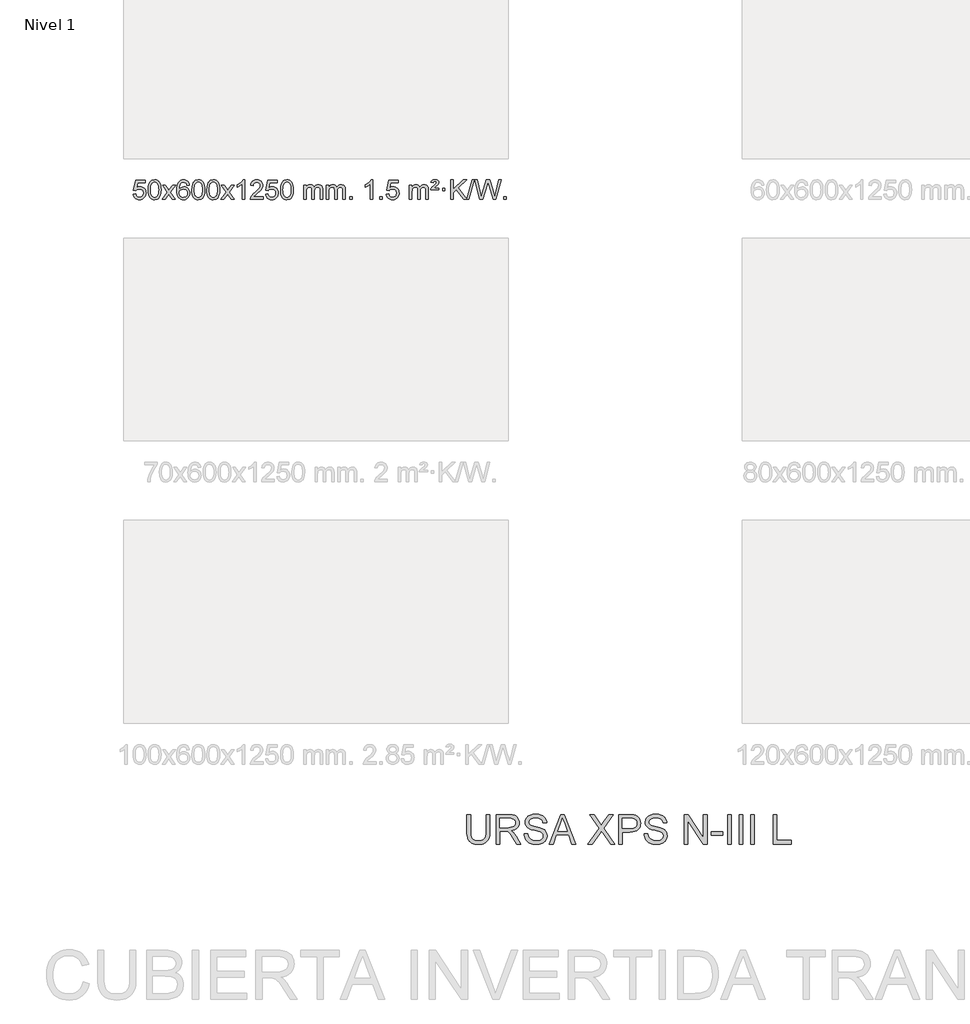
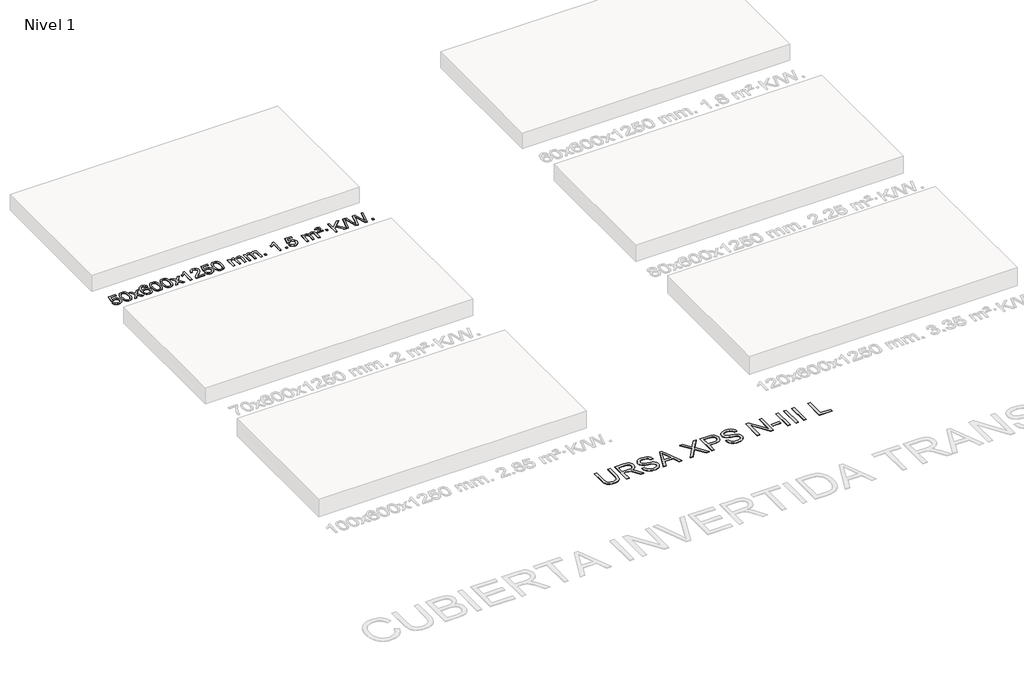
# One storey, part 4 of 7: 2 proxies.
"""IFC4 building model written with IfcOpenShell, lengths in millimetres."""

import ifcopenshell
import ifcopenshell.guid

model = None  # the IFC model being written
_history = None  # IfcOwnerHistory: only IFC2X3 demands one
_inside = {}  # id of a spatial element -> (the spatial element, [elements in it])
_under = {}  # id of a project, library or spatial element -> (it, [spatial elements below it])
_declared = {}  # id of a project -> (the project, [libraries it declares])
_typed = {}  # id of a type object -> (the type object, [elements of that type])
_made_of = {}  # id of a material, layer set ... -> (it, [elements and type objects made of it])


def new_model(schema):
    """Start an empty IFC model of exactly this schema.

    Asked for "IFC4X3", IfcOpenShell would pick the latest addendum, in which some entities
    have other attributes; the version numbers below select the first issue.
    IFC2X3 requires an IfcOwnerHistory on every rooted entity: one is made here for all.
    """
    global model, _history
    if schema == "IFC4X3":
        model = ifcopenshell.file(schema_version=(4, 3, 0, 0))
    else:
        model = ifcopenshell.file(schema=schema)
    _inside.clear()
    _under.clear()
    _declared.clear()
    _typed.clear()
    _made_of.clear()
    _history = None
    if model.schema == "IFC2X3":
        org = make("IfcOrganization", Name="unknown")
        user = make(
            "IfcPersonAndOrganization",
            ThePerson=make("IfcPerson", FamilyName="unknown"),
            TheOrganization=org,
        )
        app = make(
            "IfcApplication",
            ApplicationDeveloper=org,
            Version="unknown",
            ApplicationFullName="unknown",
            ApplicationIdentifier="unknown",
        )
        _history = make(
            "IfcOwnerHistory",
            OwningUser=user,
            OwningApplication=app,
            ChangeAction="ADDED",
            CreationDate=0,
        )
    return model


def make(cls, **values):
    """One entity of the class cls with the attributes given. An attribute that is None is left unset."""
    return model.create_entity(
        cls, **{name: value for name, value in values.items() if value is not None}
    )


def rooted(cls, **values):
    """An entity with a GlobalId (a new one), such as an element, a storey or a relation."""
    return make(cls, GlobalId=ifcopenshell.guid.new(), OwnerHistory=_history, **values)


def si_unit(unit_type, name, prefix=None):
    """IfcSIUnit, for example si_unit("LENGTHUNIT", "METRE", prefix="MILLI")."""
    return make("IfcSIUnit", UnitType=unit_type, Prefix=prefix, Name=name)


def assignment(units):
    """IfcUnitAssignment: the units of a project."""
    return None if units is None else make("IfcUnitAssignment", Units=units)


def point(xyz):
    """IfcCartesianPoint."""
    return None if xyz is None else make("IfcCartesianPoint", Coordinates=xyz)


def direction(xyz):
    """IfcDirection."""
    return None if xyz is None else make("IfcDirection", DirectionRatios=xyz)


def frame(location, z_axis=None, x_axis=None):
    """IfcAxis2Placement3D, a coordinate frame: its origin and axes. An axis left out is left unset."""
    return make(
        "IfcAxis2Placement3D",
        Location=point(location),
        Axis=direction(z_axis),
        RefDirection=direction(x_axis),
    )


def origin():
    """The frame at (0, 0, 0) with its axes left unset."""
    return frame((0.0, 0.0, 0.0))


def origin_with_axes():
    """The frame at (0, 0, 0) with the z axis (0, 0, 1) and the x axis (1, 0, 0) written out."""
    return frame((0.0, 0.0, 0.0), z_axis=(0.0, 0.0, 1.0), x_axis=(1.0, 0.0, 0.0))


def place(relative_to, where):
    """IfcLocalPlacement: puts the frame where relative to a parent placement (None: the world)."""
    return make(
        "IfcLocalPlacement", PlacementRelTo=relative_to, RelativePlacement=where
    )


def context(
    kind, dimensions, precision=None, world=None, true_north=None, identifier=None
):
    """IfcGeometricRepresentationContext, for example the 3D "Model" context."""
    return make(
        "IfcGeometricRepresentationContext",
        ContextIdentifier=identifier,
        ContextType=kind,
        CoordinateSpaceDimension=dimensions,
        Precision=precision,
        WorldCoordinateSystem=world,
        TrueNorth=true_north,
    )


def project(units=None, contexts=None):
    """IfcProject with its units and contexts."""
    return rooted(
        "IfcProject",
        Name="project",
        RepresentationContexts=contexts,
        UnitsInContext=assignment(units),
    )


def spatial(cls, under=None, at=None, **own):
    """A site, building, storey or space (cls), placed at a placement, below another one or the project."""
    s = rooted(cls, ObjectPlacement=at, **own)
    if under is not None:
        _under.setdefault(under.id(), (under, []))[1].append(s)
    return s


def polyline(points):
    """IfcPolyline through the points."""
    return make("IfcPolyline", Points=[point(p) for p in points])


def outline(outer, holes=None, kind="AREA"):
    """IfcArbitraryClosedProfileDef: a profile drawn as a closed curve; with holes, ...WithVoids."""
    if holes is None:
        return make("IfcArbitraryClosedProfileDef", ProfileType=kind, OuterCurve=outer)
    return make(
        "IfcArbitraryProfileDefWithVoids",
        ProfileType=kind,
        OuterCurve=outer,
        InnerCurves=holes,
    )


def extrude(swept, where, along, depth):
    """IfcExtrudedAreaSolid: the profile swept, set in the frame where, extruded along a direction by depth."""
    return make(
        "IfcExtrudedAreaSolid",
        SweptArea=swept,
        Position=where,
        ExtrudedDirection=direction(along),
        Depth=depth,
    )


def shape(context_of_items, identifier, shape_type, items):
    """IfcShapeRepresentation: the items that make up one representation, for example the "Body"."""
    return make(
        "IfcShapeRepresentation",
        ContextOfItems=context_of_items,
        RepresentationIdentifier=identifier,
        RepresentationType=shape_type,
        Items=items,
    )


def made_of(thing, what):
    """Note that an element or type object is made of a material, layer set ...; save() writes the relation."""
    if what is not None:
        _made_of.setdefault(what.id(), (what, []))[1].append(thing)
    return thing


def element(
    cls,
    number,
    at=None,
    inside=None,
    cuts=None,
    type_object=None,
    material=None,
    context=None,
    identifier="Body",
    shape_type=None,
    held_by="IfcProductDefinitionShape",
    body=None,
    shapes=None,
    **own,
):
    """One element of the class cls, such as IfcWall. Its Tag is "e" and its number.

    at: its placement. inside: the storey or other place that contains it. cuts: it is an
    opening in that element (IfcRelVoidsElement). A single representation is given by context,
    identifier, shape_type and body (its items); several are given by shapes. held_by: the class
    of the entity that holds the representations. save() writes the other relations.
    """
    e = rooted(cls, Tag="e%d" % number, ObjectPlacement=at, **own)
    if body is not None:
        shapes = [shape(context, identifier, shape_type, body)]
    if shapes is not None:
        e.Representation = make(held_by, Representations=shapes)
    if inside is not None:
        _inside.setdefault(inside.id(), (inside, []))[1].append(e)
    if cuts is not None:
        rooted(
            "IfcRelVoidsElement", RelatingBuildingElement=cuts, RelatedOpeningElement=e
        )
    if type_object is not None:
        _typed.setdefault(type_object.id(), (type_object, []))[1].append(e)
    return made_of(e, material)


def aggregate(whole, parts):
    """IfcRelAggregates: a whole, such as a stair, and the parts it consists of."""
    return rooted("IfcRelAggregates", RelatingObject=whole, RelatedObjects=parts)


def save(model, path):
    """Write the relations noted so far, then the file.

    IfcRelAggregates (storeys below a building ...), IfcRelContainedInSpatialStructure (elements
    in a storey), IfcRelDefinesByType, IfcRelAssociatesMaterial and IfcRelDeclares: one each for
    every whole, place, type object, material and project.
    """
    for whole, parts in _under.values():
        aggregate(whole, parts)
    for where, things in _inside.values():
        rooted(
            "IfcRelContainedInSpatialStructure",
            RelatedElements=things,
            RelatingStructure=where,
        )
    for kind, things in _typed.values():
        rooted("IfcRelDefinesByType", RelatedObjects=things, RelatingType=kind)
    for what, things in _made_of.values():
        rooted("IfcRelAssociatesMaterial", RelatedObjects=things, RelatingMaterial=what)
    for by, libraries in _declared.values():
        rooted("IfcRelDeclares", RelatingContext=by, RelatedDefinitions=libraries)
    model.write(path)


model = new_model("IFC4")

# Units and contexts
model_context = context("Model", 3, world=origin())
ifc_project = project(units=[si_unit("LENGTHUNIT", "METRE", prefix="MILLI")], contexts=[model_context])

# Site, building, storey
site = spatial("IfcSite", under=ifc_project)
building = spatial("IfcBuilding", under=site)
storey = spatial("IfcBuildingStorey", under=building, Name="Nivel 1", Elevation=0.0)

# Proxies
placement = place(None, origin())
element("IfcBuildingElementProxy", 1, Name="Texto de modelo 1", ObjectType="Texto de modelo 1", at=placement, inside=storey, context=model_context, shape_type="SweptSolid", body=[
    extrude(outline(polyline([(-25826.1503809, -1077.8820273), (-25775.9222259, -1071.603508), (-25766.7006505, -1101.7575688), (-25750.6119446, -1123.3522419), (-25727.7296845, -1136.3384764), (-25698.1274466, -1140.6672212), (-25678.9975829, -1139.1619707), (-25662.124062, -1134.6462192), (-25647.5068841, -1127.1199667), (-25635.146049, -1116.5832132), (-25625.3174684, -1103.5571249), (-25618.2970537, -1088.5628679), (-25612.6807219, -1052.6698479), (-25617.9414344, -1018.8737553), (-25624.5173251, -1004.9555532), (-25633.723572, -993.0239138), (-25645.590832, -983.4528505), (-25660.149762, -976.6163768), (-25697.3426317, -971.1471978), (-25721.7086825, -973.3299643), (-25741.4394202, -979.8782638), (-25757.1970323, -989.9091796), (-25769.6437065, -1002.5397947), (-25819.8718615, -996.2612753), (-25775.9222259, -789.0701357), (-25581.2881249, -789.0701357), (-25581.2881249, -839.2982907), (-25735.3080536, -839.2982907), (-25756.7923621, -949.9571949), (-25739.0665813, -937.2530033), (-25720.9116048, -928.1785808), (-25702.3274327, -922.7339272), (-25683.3140649, -920.9190427), (-25658.8529779, -923.1692543), (-25636.3845851, -929.9198889), (-25615.9088864, -941.1709466), (-25597.4258818, -956.9224273), (-25582.1250565, -976.2117066), (-25571.1958955, -998.0761598), (-25564.638399, -1022.5157871), (-25562.4525668, -1049.5305882), (-25564.4207355, -1075.552108), (-25570.3252415, -1099.7587433), (-25580.1660849, -1122.1504941), (-25593.9432656, -1142.7273604), (-25614.8144374, -1163.8008673), (-25639.1682255, -1178.8533723), (-25667.0046298, -1187.8848753), (-25698.3236503, -1190.8953763), (-25724.2440026, -1188.9609301), (-25747.6566259, -1183.1575916), (-25768.5615203, -1173.4853608), (-25786.9586857, -1159.9442377), (-25802.2656424, -1143.2086726), (-25813.8999105, -1123.9531159), (-25821.86149, -1102.1775674), (-25826.1503809, -1077.8820273)])), origin_with_axes(), (0.0, 0.0, 1.0), 10.0),
    extrude(outline(polyline([(-25518.5029311, -986.9415981), (-25514.8118484, -922.6235626), (-25503.7386004, -871.3285498), (-25485.3935515, -832.2717446), (-25473.5354886, -817.0383643), (-25459.8870665, -804.6683323), (-25444.4023002, -795.097269), (-25427.0352044, -788.2607953), (-25386.654024, -782.7916163), (-25355.7028855, -786.0289778), (-25327.9891085, -795.7410625), (-25304.8125428, -811.5477256), (-25287.4730381, -833.0688223), (-25274.3764391, -860.1204117), (-25263.9285904, -892.5185527), (-25257.0859853, -933.6600225), (-25254.805117, -986.9415981), (-25258.4594114, -1050.8917516), (-25269.4222949, -1102.0641372), (-25287.6569791, -1141.1577305), (-25299.487451, -1156.437096), (-25313.1266759, -1168.8715075), (-25328.6298363, -1178.5069501), (-25346.0521145, -1185.3894091), (-25386.654024, -1190.8953763), (-25414.3187501, -1188.5041433), (-25438.8442164, -1181.3304444), (-25460.2304231, -1169.3742795), (-25478.47737, -1152.6356488), (-25495.988553, -1122.3773547), (-25508.4965408, -1084.6755815), (-25516.0013335, -1039.5303293), (-25518.5029311, -986.9415981)]), holes=[polyline([(-25468.274776, -986.8434963), (-25466.803248, -1030.5080234), (-25462.3886641, -1065.8522861), (-25455.0310242, -1092.8762843), (-25444.7303283, -1111.5800181), (-25432.2713914, -1124.3056694), (-25418.4390284, -1133.3954204), (-25403.2332393, -1138.849271), (-25386.654024, -1140.6672212), (-25370.0748088, -1138.8431396), (-25354.8690196, -1133.3708949), (-25341.0366566, -1124.2504871), (-25328.5777197, -1111.4819162), (-25318.2770239, -1092.7475256), (-25310.919384, -1065.7296588), (-25306.5048, -1030.4283156), (-25305.033272, -986.8434963), (-25306.4557491, -944.3347317), (-25310.7231802, -909.6128027), (-25317.8355655, -882.6777093), (-25327.7929048, -863.5294515), (-25340.0433752, -850.1814664), (-25354.0351538, -840.6471914), (-25369.7682404, -834.9266264), (-25387.2426352, -833.0197713), (-25403.7360113, -834.6997658), (-25418.6842831, -839.7397491), (-25432.0874504, -848.1397213), (-25443.9455134, -859.8996825), (-25454.5895658, -880.7463289), (-25462.1924604, -908.8525133), (-25466.7541971, -944.2182358), (-25468.274776, -986.8434963)])]), origin_with_axes(), (0.0, 0.0, 1.0), 10.0),
    extrude(outline(polyline([(-25229.6910394, -1184.6168569), (-25122.3675987, -1036.2868364), (-25223.41252, -889.5264458), (-25162.981771, -889.5264458), (-25114.2251439, -960.1597889), (-25091.4655111, -993.5144231), (-25071.7470362, -966.2421045), (-25016.2213804, -889.5264458), (-24955.7906313, -889.5264458), (-25061.9368496, -1036.2868364), (-24959.7147059, -1184.6168569), (-25020.145455, -1184.6168569), (-25081.6553246, -1095.4422612), (-25092.9370391, -1079.1573516), (-25169.2602903, -1184.6168569), (-25229.6910394, -1184.6168569)])), origin_with_axes(), (0.0, 0.0, 1.0), 10.0),
    extrude(outline(polyline([(-24670.9028142, -889.5264458), (-24721.1309693, -895.8049652), (-24729.2243732, -870.9116168), (-24740.1627312, -853.9154687), (-24762.9468894, -838.2436957), (-24790.4889881, -833.0197713), (-24813.8372321, -836.0609292), (-24835.8120499, -845.1844027), (-24854.6843963, -864.4001055), (-24870.0986519, -890.850821), (-24880.5097123, -928.2644199), (-24884.3724733, -980.3687731), (-24864.2248027, -956.8611137), (-24840.0794811, -940.2941611), (-24813.2854091, -930.4717119), (-24785.1914874, -927.1975621), (-24761.0584285, -929.4355109), (-24738.7893051, -936.1493573), (-24718.3841171, -947.3391013), (-24699.8428645, -963.004743), (-24684.4347403, -982.2143145), (-24673.4289372, -1004.0358482), (-24666.8254554, -1028.469344), (-24664.6242948, -1055.514802), (-24668.7690986, -1091.4813984), (-24681.2035101, -1124.8237699), (-24700.8974596, -1153.1016326), (-24726.8208775, -1173.8747026), (-24757.7965415, -1186.6402078), (-24792.6472291, -1190.8953763), (-24822.5897579, -1188.0749476), (-24849.6321502, -1179.6136617), (-24873.7744061, -1165.5115186), (-24895.0165257, -1145.7685182), (-24912.3345706, -1119.5507947), (-24924.7046027, -1086.0244822), (-24932.1266219, -1045.1895807), (-24934.6006284, -997.0460903), (-24931.8537761, -943.0716702), (-24923.6132194, -897.006713), (-24909.8789583, -858.8512188), (-24890.6509927, -828.6051874), (-24869.8104776, -808.56175), (-24845.6467619, -794.2450091), (-24818.1598455, -785.6549645), (-24787.3497284, -782.7916163), (-24764.2160823, -784.5635812), (-24743.2774654, -789.879476), (-24724.5338777, -798.7393008), (-24707.9853193, -811.1430554), (-24694.0793799, -826.6738069), (-24683.2636492, -844.9146225), (-24675.5381274, -865.8655021), (-24670.9028142, -889.5264458)]), holes=[polyline([(-24884.3724733, -1054.7299871), (-24881.4662055, -1076.9868478), (-24872.7474022, -1098.2381644), (-24859.2093448, -1116.5096368), (-24841.8453146, -1129.8269651), (-24820.8883036, -1137.9571571), (-24796.5713038, -1140.6672212), (-24763.425136, -1135.0508894), (-24749.5099995, -1128.0304746), (-24737.366828, -1118.201894), (-24727.5167876, -1105.9636863), (-24720.4810444, -1091.7143904), (-24714.8524499, -1057.1825337), (-24720.407468, -1024.036366), (-24727.3512407, -1010.4155351), (-24737.0725224, -998.7628729), (-24749.2524821, -989.4278673), (-24763.5722888, -982.7600061), (-24798.6314429, -977.4257172), (-24831.7285598, -982.7600061), (-24859.4055485, -998.7628729), (-24870.3285781, -1010.2622509), (-24878.1307421, -1023.4232293), (-24882.8120405, -1038.245808), (-24884.3724733, -1054.7299871)])]), origin_with_axes(), (0.0, 0.0, 1.0), 10.0),
    extrude(outline(polyline([(-24620.6746591, -986.9415981), (-24616.9835765, -922.6235626), (-24605.9103284, -871.3285498), (-24587.5652796, -832.2717446), (-24575.7072166, -817.0383643), (-24562.0587946, -804.6683323), (-24546.5740283, -795.097269), (-24529.2069324, -788.2607953), (-24488.8257521, -782.7916163), (-24457.8746135, -786.0289778), (-24430.1608366, -795.7410625), (-24406.9842709, -811.5477256), (-24389.6447662, -833.0688223), (-24376.5481671, -860.1204117), (-24366.1003185, -892.5185527), (-24359.2577134, -933.6600225), (-24356.976845, -986.9415981), (-24360.6311395, -1050.8917516), (-24371.5940229, -1102.0641372), (-24389.8287072, -1141.1577305), (-24401.659179, -1156.437096), (-24415.298404, -1168.8715075), (-24430.8015644, -1178.5069501), (-24448.2238425, -1185.3894091), (-24488.8257521, -1190.8953763), (-24516.4904781, -1188.5041433), (-24541.0159444, -1181.3304444), (-24562.4021511, -1169.3742795), (-24580.6490981, -1152.6356488), (-24598.160281, -1122.3773547), (-24610.6682689, -1084.6755815), (-24618.1730616, -1039.5303293), (-24620.6746591, -986.9415981)]), holes=[polyline([(-24570.4465041, -986.8434963), (-24568.9749761, -1030.5080234), (-24564.5603921, -1065.8522861), (-24557.2027522, -1092.8762843), (-24546.9020564, -1111.5800181), (-24534.4431195, -1124.3056694), (-24520.6107564, -1133.3954204), (-24505.4049673, -1138.849271), (-24488.8257521, -1140.6672212), (-24472.2465368, -1138.8431396), (-24457.0407477, -1133.3708949), (-24443.2083847, -1124.2504871), (-24430.7494478, -1111.4819162), (-24420.4487519, -1092.7475256), (-24413.091112, -1065.7296588), (-24408.676528, -1030.4283156), (-24407.2050001, -986.8434963), (-24408.6274771, -944.3347317), (-24412.8949083, -909.6128027), (-24420.0072935, -882.6777093), (-24429.9646328, -863.5294515), (-24442.2151033, -850.1814664), (-24456.2068818, -840.6471914), (-24471.9399685, -834.9266264), (-24489.4143633, -833.0197713), (-24505.9077394, -834.6997658), (-24520.8560111, -839.7397491), (-24534.2591785, -848.1397213), (-24546.1172414, -859.8996825), (-24556.7612938, -880.7463289), (-24564.3641884, -908.8525133), (-24568.9259251, -944.2182358), (-24570.4465041, -986.8434963)])]), origin_with_axes(), (0.0, 0.0, 1.0), 10.0),
    extrude(outline(polyline([(-24313.0272093, -986.9415981), (-24309.3361266, -922.6235626), (-24298.2628786, -871.3285498), (-24279.9178297, -832.2717446), (-24268.0597668, -817.0383643), (-24254.4113447, -804.6683323), (-24238.9265784, -795.097269), (-24221.5594826, -788.2607953), (-24181.1783022, -782.7916163), (-24150.2271637, -786.0289778), (-24122.5133867, -795.7410625), (-24099.336821, -811.5477256), (-24081.9973163, -833.0688223), (-24068.9007173, -860.1204117), (-24058.4528686, -892.5185527), (-24051.6102635, -933.6600225), (-24049.3293952, -986.9415981), (-24052.9836896, -1050.8917516), (-24063.9465731, -1102.0641372), (-24082.1812573, -1141.1577305), (-24094.0117292, -1156.437096), (-24107.6509541, -1168.8715075), (-24123.1541145, -1178.5069501), (-24140.5763927, -1185.3894091), (-24181.1783022, -1190.8953763), (-24208.8430283, -1188.5041433), (-24233.3684946, -1181.3304444), (-24254.7547013, -1169.3742795), (-24273.0016482, -1152.6356488), (-24290.5128312, -1122.3773547), (-24303.020819, -1084.6755815), (-24310.5256117, -1039.5303293), (-24313.0272093, -986.9415981)]), holes=[polyline([(-24262.7990542, -986.8434963), (-24261.3275262, -1030.5080234), (-24256.9129423, -1065.8522861), (-24249.5553024, -1092.8762843), (-24239.2546065, -1111.5800181), (-24226.7956696, -1124.3056694), (-24212.9633066, -1133.3954204), (-24197.7575175, -1138.849271), (-24181.1783022, -1140.6672212), (-24164.599087, -1138.8431396), (-24149.3932978, -1133.3708949), (-24135.5609348, -1124.2504871), (-24123.1019979, -1111.4819162), (-24112.8013021, -1092.7475256), (-24105.4436622, -1065.7296588), (-24101.0290782, -1030.4283156), (-24099.5575502, -986.8434963), (-24100.9800273, -944.3347317), (-24105.2474584, -909.6128027), (-24112.3598437, -882.6777093), (-24122.317183, -863.5294515), (-24134.5676534, -850.1814664), (-24148.559432, -840.6471914), (-24164.2925187, -834.9266264), (-24181.7669134, -833.0197713), (-24198.2602895, -834.6997658), (-24213.2085613, -839.7397491), (-24226.6117286, -848.1397213), (-24238.4697916, -859.8996825), (-24249.113844, -880.7463289), (-24256.7167386, -908.8525133), (-24261.2784753, -944.2182358), (-24262.7990542, -986.8434963)])]), origin_with_axes(), (0.0, 0.0, 1.0), 10.0),
    extrude(outline(polyline([(-24024.2153176, -1184.6168569), (-23916.8918769, -1036.2868364), (-24017.9367982, -889.5264458), (-23957.5060492, -889.5264458), (-23908.7494221, -960.1597889), (-23885.9897893, -993.5144231), (-23866.2713144, -966.2421045), (-23810.7456586, -889.5264458), (-23750.3149095, -889.5264458), (-23856.4611278, -1036.2868364), (-23754.2389841, -1184.6168569), (-23814.6697332, -1184.6168569), (-23876.1796028, -1095.4422612), (-23887.4613173, -1079.1573516), (-23963.7845685, -1184.6168569), (-24024.2153176, -1184.6168569)])), origin_with_axes(), (0.0, 0.0, 1.0), 10.0),
    extrude(outline(polyline([(-23534.4908056, -1184.6168569), (-23584.7189607, -1184.6168569), (-23584.7189607, -871.4757026), (-23605.6882344, -888.4350626), (-23632.2983654, -905.3698971), (-23685.1752709, -930.7292293), (-23685.1752709, -883.2479264), (-23645.7260583, -861.7881434), (-23611.5498209, -836.2571329), (-23584.6085961, -809.1074417), (-23566.8644212, -782.7916163), (-23534.4908056, -782.7916163), (-23534.4908056, -1184.6168569)])), origin_with_axes(), (0.0, 0.0, 1.0), 10.0),
    extrude(outline(polyline([(-23157.7796426, -1134.3887018), (-23157.7796426, -1184.6168569), (-23421.4774567, -1184.6168569), (-23420.3738107, -1166.9339956), (-23416.0818541, -1149.9868984), (-23403.6964936, -1122.9230463), (-23385.572174, -1096.6685346), (-23359.3544505, -1069.1877495), (-23322.6888783, -1038.4450775), (-23268.4875977, -990.301587), (-23235.9668293, -954.7641863), (-23219.7064451, -925.9222379), (-23214.286317, -897.8651044), (-23219.3998768, -872.7142386), (-23234.740556, -851.8062786), (-23258.3217919, -837.7163982), (-23288.1570217, -833.0197713), (-23319.4883049, -837.6060336), (-23343.8298303, -851.3648202), (-23359.5383915, -873.2170107), (-23364.9707823, -902.0834846), (-23415.1989373, -895.8049652), (-23410.8793896, -869.8754159), (-23403.0220433, -847.2200164), (-23391.6268985, -827.8387666), (-23376.6939552, -811.7316666), (-23358.5665699, -799.0703946), (-23337.5880991, -790.0266288), (-23313.7585429, -784.6003694), (-23287.0779012, -782.7916163), (-23260.1581362, -784.8027045), (-23236.1998212, -790.8359692), (-23215.2029563, -800.8914104), (-23197.1675415, -814.9690281), (-23182.682188, -832.02649), (-23172.3355069, -851.0214636), (-23166.1274982, -871.9539492), (-23164.058162, -894.8239465), (-23166.2899794, -918.8466408), (-23172.9854317, -942.4524022), (-23184.8680202, -966.4628337), (-23202.661246, -991.6995386), (-23231.0249478, -1021.829074), (-23274.6189643, -1060.5179972), (-23332.400963, -1108.8331659), (-23355.0624939, -1134.3887018), (-23157.7796426, -1134.3887018)])), origin_with_axes(), (0.0, 0.0, 1.0), 10.0),
    extrude(outline(polyline([(-23107.5514875, -1077.8820273), (-23057.3233324, -1071.603508), (-23048.1017571, -1101.7575688), (-23032.0130512, -1123.3522419), (-23009.1307911, -1136.3384764), (-22979.5285532, -1140.6672212), (-22960.3986894, -1139.1619707), (-22943.5251686, -1134.6462192), (-22928.9079907, -1127.1199667), (-22916.5471556, -1116.5832132), (-22906.718575, -1103.5571249), (-22899.6981602, -1088.5628679), (-22894.0818284, -1052.6698479), (-22899.342541, -1018.8737553), (-22905.9184316, -1004.9555532), (-22915.1246786, -993.0239138), (-22926.9919386, -983.4528505), (-22941.5508686, -976.6163768), (-22978.7437383, -971.1471978), (-23003.1097891, -973.3299643), (-23022.8405268, -979.8782638), (-23038.5981389, -989.9091796), (-23051.044813, -1002.5397947), (-23101.2729681, -996.2612753), (-23057.3233324, -789.0701357), (-22862.6892315, -789.0701357), (-22862.6892315, -839.2982907), (-23016.7091602, -839.2982907), (-23038.1934687, -949.9571949), (-23020.4676879, -937.2530033), (-23002.3127114, -928.1785808), (-22983.7285393, -922.7339272), (-22964.7151715, -920.9190427), (-22940.2540845, -923.1692543), (-22917.7856917, -929.9198889), (-22897.3099929, -941.1709466), (-22878.8269884, -956.9224273), (-22863.5261631, -976.2117066), (-22852.5970021, -998.0761598), (-22846.0395056, -1022.5157871), (-22843.8536734, -1049.5305882), (-22845.821842, -1075.552108), (-22851.7263481, -1099.7587433), (-22861.5671914, -1122.1504941), (-22875.3443722, -1142.7273604), (-22896.215544, -1163.8008673), (-22920.5693321, -1178.8533723), (-22948.4057364, -1187.8848753), (-22979.7247569, -1190.8953763), (-23005.6451092, -1188.9609301), (-23029.0577325, -1183.1575916), (-23049.9626268, -1173.4853608), (-23068.3597923, -1159.9442377), (-23083.666749, -1143.2086726), (-23095.3010171, -1123.9531159), (-23103.2625966, -1102.1775674), (-23107.5514875, -1077.8820273)])), origin_with_axes(), (0.0, 0.0, 1.0), 10.0),
    extrude(outline(polyline([(-22799.9040377, -986.9415981), (-22796.212955, -922.6235626), (-22785.1397069, -871.3285498), (-22766.7946581, -832.2717446), (-22754.9365951, -817.0383643), (-22741.2881731, -804.6683323), (-22725.8034068, -795.097269), (-22708.4363109, -788.2607953), (-22668.0551306, -782.7916163), (-22637.1039921, -786.0289778), (-22609.3902151, -795.7410625), (-22586.2136494, -811.5477256), (-22568.8741447, -833.0688223), (-22555.7775457, -860.1204117), (-22545.329697, -892.5185527), (-22538.4870919, -933.6600225), (-22536.2062235, -986.9415981), (-22539.860518, -1050.8917516), (-22550.8234015, -1102.0641372), (-22569.0580857, -1141.1577305), (-22580.8885575, -1156.437096), (-22594.5277825, -1168.8715075), (-22610.0309429, -1178.5069501), (-22627.4532211, -1185.3894091), (-22668.0551306, -1190.8953763), (-22695.7198566, -1188.5041433), (-22720.245323, -1181.3304444), (-22741.6315296, -1169.3742795), (-22759.8784766, -1152.6356488), (-22777.3896596, -1122.3773547), (-22789.8976474, -1084.6755815), (-22797.4024401, -1039.5303293), (-22799.9040377, -986.9415981)]), holes=[polyline([(-22749.6758826, -986.8434963), (-22748.2043546, -1030.5080234), (-22743.7897707, -1065.8522861), (-22736.4321308, -1092.8762843), (-22726.1314349, -1111.5800181), (-22713.672498, -1124.3056694), (-22699.840135, -1133.3954204), (-22684.6343459, -1138.849271), (-22668.0551306, -1140.6672212), (-22651.4759154, -1138.8431396), (-22636.2701262, -1133.3708949), (-22622.4377632, -1124.2504871), (-22609.9788263, -1111.4819162), (-22599.6781304, -1092.7475256), (-22592.3204905, -1065.7296588), (-22587.9059066, -1030.4283156), (-22586.4343786, -986.8434963), (-22587.8568557, -944.3347317), (-22592.1242868, -909.6128027), (-22599.236672, -882.6777093), (-22609.1940114, -863.5294515), (-22621.4444818, -850.1814664), (-22635.4362604, -840.6471914), (-22651.169347, -834.9266264), (-22668.6437418, -833.0197713), (-22685.1371179, -834.6997658), (-22700.0853897, -839.7397491), (-22713.488557, -848.1397213), (-22725.34662, -859.8996825), (-22735.9906724, -880.7463289), (-22743.5935669, -908.8525133), (-22748.1553037, -944.2182358), (-22749.6758826, -986.8434963)])]), origin_with_axes(), (0.0, 0.0, 1.0), 10.0),
    extrude(outline(polyline([(-22322.7365645, -1184.6168569), (-22322.7365645, -889.5264458), (-22272.5084094, -889.5264458), (-22272.5084094, -938.0868692), (-22257.4007221, -915.7809575), (-22237.9765528, -898.3065628), (-22214.8980889, -887.0125855), (-22188.8275182, -883.2479264), (-22160.8930121, -887.0861619), (-22138.5012613, -898.6008684), (-22121.7748932, -917.0317563), (-22110.8365352, -941.6185363), (-22092.5282746, -916.0813945), (-22071.64484, -897.8405789), (-22048.1862315, -886.8960895), (-22022.1524489, -883.2479264), (-22002.0446322, -884.7654397), (-21984.3954935, -889.3179793), (-21969.2050328, -896.9055455), (-21956.4732501, -907.5281381), (-21946.4086118, -921.3083845), (-21939.2195845, -938.368912), (-21934.9061681, -958.7097207), (-21933.4683626, -982.3308105), (-21933.4683626, -1184.6168569), (-21983.6965177, -1184.6168569), (-21983.6965177, -1003.9132208), (-21984.8614774, -978.860457), (-21988.3563563, -961.9746734), (-21994.9046558, -950.410916), (-22005.2298772, -941.3242307), (-22018.5104172, -935.4381188), (-22033.9246728, -933.4760815), (-22061.1356777, -938.5038021), (-22083.318962, -953.5869639), (-22091.924335, -965.1568526), (-22098.07103, -979.7556365), (-22102.988386, -1018.0398895), (-22102.988386, -1184.6168569), (-22153.2165411, -1184.6168569), (-22153.2165411, -998.3214145), (-22156.1228088, -969.9209245), (-22164.8416121, -949.6628893), (-22180.1822913, -937.5227834), (-22202.9541868, -933.4760815), (-22222.3047798, -936.1738828), (-22240.1347938, -944.2672867), (-22254.8500736, -957.5600894), (-22264.8564639, -975.8560873), (-22270.595423, -1001.239945), (-22272.5084094, -1035.7963271), (-22272.5084094, -1184.6168569), (-22322.7365645, -1184.6168569)])), origin_with_axes(), (0.0, 0.0, 1.0), 10.0),
    extrude(outline(polyline([(-21858.12613, -1184.6168569), (-21858.12613, -889.5264458), (-21807.8979749, -889.5264458), (-21807.8979749, -938.0868692), (-21792.7902877, -915.7809575), (-21773.3661183, -898.3065628), (-21750.2876545, -887.0125855), (-21724.2170838, -883.2479264), (-21696.2825776, -887.0861619), (-21673.8908268, -898.6008684), (-21657.1644588, -917.0317563), (-21646.2261008, -941.6185363), (-21627.9178402, -916.0813945), (-21607.0344056, -897.8405789), (-21583.575797, -886.8960895), (-21557.5420145, -883.2479264), (-21537.4341978, -884.7654397), (-21519.7850591, -889.3179793), (-21504.5945983, -896.9055455), (-21491.8628156, -907.5281381), (-21481.7981774, -921.3083845), (-21474.6091501, -938.368912), (-21470.2957337, -958.7097207), (-21468.8579282, -982.3308105), (-21468.8579282, -1184.6168569), (-21519.0860833, -1184.6168569), (-21519.0860833, -1003.9132208), (-21520.2510429, -978.860457), (-21523.7459219, -961.9746734), (-21530.2942214, -950.410916), (-21540.6194427, -941.3242307), (-21553.8999827, -935.4381188), (-21569.3142383, -933.4760815), (-21596.5252433, -938.5038021), (-21618.7085276, -953.5869639), (-21627.3139006, -965.1568526), (-21633.4605956, -979.7556365), (-21638.3779516, -1018.0398895), (-21638.3779516, -1184.6168569), (-21688.6061066, -1184.6168569), (-21688.6061066, -998.3214145), (-21691.5123744, -969.9209245), (-21700.2311777, -949.6628893), (-21715.5718569, -937.5227834), (-21738.3437524, -933.4760815), (-21757.6943453, -936.1738828), (-21775.5243594, -944.2672867), (-21790.2396392, -957.5600894), (-21800.2460294, -975.8560873), (-21805.9849886, -1001.239945), (-21807.8979749, -1035.7963271), (-21807.8979749, -1184.6168569), (-21858.12613, -1184.6168569)])), origin_with_axes(), (0.0, 0.0, 1.0), 10.0),
    extrude(outline(polyline([(-21380.9586568, -1184.6168569), (-21380.9586568, -1134.3887018), (-21330.7305017, -1134.3887018), (-21330.7305017, -1184.6168569), (-21380.9586568, -1184.6168569)])), origin_with_axes(), (0.0, 0.0, 1.0), 10.0),
    extrude(outline(polyline([(-20903.7911836, -1184.6168569), (-20954.0193387, -1184.6168569), (-20954.0193387, -871.4757026), (-20974.9886124, -888.4350626), (-21001.5987434, -905.3698971), (-21054.4756488, -930.7292293), (-21054.4756488, -883.2479264), (-21015.0264362, -861.7881434), (-20980.8501989, -836.2571329), (-20953.9089741, -809.1074417), (-20936.1647992, -782.7916163), (-20903.7911836, -782.7916163), (-20903.7911836, -1184.6168569)])), origin_with_axes(), (0.0, 0.0, 1.0), 10.0),
    extrude(outline(polyline([(-20759.3852378, -1184.6168569), (-20759.3852378, -1134.3887018), (-20709.1570827, -1134.3887018), (-20709.1570827, -1184.6168569), (-20759.3852378, -1184.6168569)])), origin_with_axes(), (0.0, 0.0, 1.0), 10.0),
    extrude(outline(polyline([(-20627.5363307, -1077.8820273), (-20577.3081756, -1071.603508), (-20568.0866003, -1101.7575688), (-20551.9978943, -1123.3522419), (-20529.1156342, -1136.3384764), (-20499.5133964, -1140.6672212), (-20480.3835326, -1139.1619707), (-20463.5100118, -1134.6462192), (-20448.8928338, -1127.1199667), (-20436.5319988, -1116.5832132), (-20426.7034182, -1103.5571249), (-20419.6830034, -1088.5628679), (-20414.0666716, -1052.6698479), (-20419.3273842, -1018.8737553), (-20425.9032748, -1004.9555532), (-20435.1095217, -993.0239138), (-20446.9767818, -983.4528505), (-20461.5357117, -976.6163768), (-20498.7285814, -971.1471978), (-20523.0946323, -973.3299643), (-20542.8253699, -979.8782638), (-20558.5829821, -989.9091796), (-20571.0296562, -1002.5397947), (-20621.2578113, -996.2612753), (-20577.3081756, -789.0701357), (-20382.6740747, -789.0701357), (-20382.6740747, -839.2982907), (-20536.6940033, -839.2982907), (-20558.1783119, -949.9571949), (-20540.4525311, -937.2530033), (-20522.2975546, -928.1785808), (-20503.7133825, -922.7339272), (-20484.7000147, -920.9190427), (-20460.2389277, -923.1692543), (-20437.7705348, -929.9198889), (-20417.2948361, -941.1709466), (-20398.8118316, -956.9224273), (-20383.5110062, -976.2117066), (-20372.5818453, -998.0761598), (-20366.0243487, -1022.5157871), (-20363.8385165, -1049.5305882), (-20365.8066852, -1075.552108), (-20371.7111912, -1099.7587433), (-20381.5520346, -1122.1504941), (-20395.3292153, -1142.7273604), (-20416.2003872, -1163.8008673), (-20440.5541753, -1178.8533723), (-20468.3905796, -1187.8848753), (-20499.7096001, -1190.8953763), (-20525.6299523, -1188.9609301), (-20549.0425757, -1183.1575916), (-20569.94747, -1173.4853608), (-20588.3446355, -1159.9442377), (-20603.6515922, -1143.2086726), (-20615.2858603, -1123.9531159), (-20623.2474398, -1102.1775674), (-20627.5363307, -1077.8820273)])), origin_with_axes(), (0.0, 0.0, 1.0), 10.0),
    extrude(outline(polyline([(-20150.3688575, -1184.6168569), (-20150.3688575, -889.5264458), (-20100.1407024, -889.5264458), (-20100.1407024, -938.0868692), (-20085.0330151, -915.7809575), (-20065.6088458, -898.3065628), (-20042.530382, -887.0125855), (-20016.4598112, -883.2479264), (-19988.5253051, -887.0861619), (-19966.1335543, -898.6008684), (-19949.4071862, -917.0317563), (-19938.4688283, -941.6185363), (-19920.1605676, -916.0813945), (-19899.277133, -897.8405789), (-19875.8185245, -886.8960895), (-19849.784742, -883.2479264), (-19829.6769252, -884.7654397), (-19812.0277865, -889.3179793), (-19796.8373258, -896.9055455), (-19784.1055431, -907.5281381), (-19774.0409048, -921.3083845), (-19766.8518775, -938.368912), (-19762.5384611, -958.7097207), (-19761.1006556, -982.3308105), (-19761.1006556, -1184.6168569), (-19811.3288107, -1184.6168569), (-19811.3288107, -1003.9132208), (-19812.4937704, -978.860457), (-19815.9886493, -961.9746734), (-19822.5369488, -950.410916), (-19832.8621702, -941.3242307), (-19846.1427102, -935.4381188), (-19861.5569658, -933.4760815), (-19888.7679707, -938.5038021), (-19910.951255, -953.5869639), (-19919.556628, -965.1568526), (-19925.703323, -979.7556365), (-19930.620679, -1018.0398895), (-19930.620679, -1184.6168569), (-19980.8488341, -1184.6168569), (-19980.8488341, -998.3214145), (-19983.7551019, -969.9209245), (-19992.4739051, -949.6628893), (-20007.8145843, -937.5227834), (-20030.5864798, -933.4760815), (-20049.9370728, -936.1738828), (-20067.7670868, -944.2672867), (-20082.4823666, -957.5600894), (-20092.4887569, -975.8560873), (-20098.227716, -1001.239945), (-20100.1407024, -1035.7963271), (-20100.1407024, -1184.6168569), (-20150.3688575, -1184.6168569)])), origin_with_axes(), (0.0, 0.0, 1.0), 10.0),
    extrude(outline(polyline([(-19717.15102, -983.7042366), (-19713.3250472, -967.8853108), (-19704.9863887, -952.0173341), (-19683.4775547, -926.878731), (-19651.520872, -899.1404286), (-19607.3750326, -861.7636179), (-19600.2381219, -850.2366487), (-19597.8591517, -838.4153739), (-19599.7476126, -826.324319), (-19605.4129953, -816.538658), (-19614.7817234, -810.0639348), (-19627.7802206, -807.9056938), (-19640.214632, -809.5243746), (-19649.0683254, -814.3804169), (-19655.4939976, -823.8472469), (-19660.6443455, -839.2982907), (-19710.8725006, -833.0197713), (-19700.0322444, -807.8075919), (-19683.4039783, -790.247358), (-19659.6388014, -779.9466622), (-19627.3878131, -776.5130969), (-19591.6051577, -780.645638), (-19566.8589622, -793.0432612), (-19552.437988, -811.3760473), (-19547.6309966, -833.3140769), (-19551.7267495, -856.2208625), (-19564.0140081, -877.8523238), (-19584.5418234, -897.6689006), (-19621.0111919, -925.7260341), (-19646.6157788, -952.3116396), (-19547.6309966, -952.3116396), (-19547.6309966, -983.7042366), (-19717.15102, -983.7042366)])), origin_with_axes(), (0.0, 0.0, 1.0), 10.0),
    extrude(outline(polyline([(-19472.288764, -1008.8183141), (-19472.288764, -958.590159), (-19422.0606089, -958.590159), (-19422.0606089, -1008.8183141), (-19472.288764, -1008.8183141)])), origin_with_axes(), (0.0, 0.0, 1.0), 10.0),
    extrude(outline(polyline([(-19031.4189809, -1184.6168569), (-19184.8502984, -981.938403), (-19252.5405855, -1046.4894304), (-19252.5405855, -1184.6168569), (-19302.7687406, -1184.6168569), (-19302.7687406, -782.7916163), (-19252.5405855, -782.7916163), (-19252.5405855, -979.4858564), (-19046.5266682, -782.7916163), (-18976.2857326, -782.7916163), (-19149.2393213, -947.9951576), (-18974.5857114, -1178.5723371), (-18863.2723837, -782.7916163), (-18817.9493219, -782.7916163), (-18930.9626708, -1184.6168569), (-18970.0072132, -1184.6168569), (-18976.2857326, -1184.6168569), (-19031.4189809, -1184.6168569)])), origin_with_axes(), (0.0, 0.0, 1.0), 10.0),
    extrude(outline(polyline([(-18703.464445, -1184.6168569), (-18813.0442286, -782.7916163), (-18761.2464437, -782.7916163), (-18697.6764349, -1046.8818379), (-18678.0560618, -1128.404488), (-18657.0622627, -1056.299617), (-18577.403548, -782.7916163), (-18502.7480284, -782.7916163), (-18444.8679278, -981.0554862), (-18420.0726814, -1054.6318852), (-18401.8012089, -1128.404488), (-18382.7694471, -1049.2362826), (-18318.6108271, -782.7916163), (-18266.8130422, -782.7916163), (-18376.4909277, -1184.6168569), (-18430.152648, -1184.6168569), (-18526.4886798, -874.6149623), (-18539.9286354, -831.3520396), (-18555.0363227, -883.4441302), (-18642.8374922, -1184.6168569), (-18703.464445, -1184.6168569)])), origin_with_axes(), (0.0, 0.0, 1.0), 10.0),
    extrude(outline(polyline([(-18210.3063677, -1184.6168569), (-18210.3063677, -1134.3887018), (-18160.0782126, -1134.3887018), (-18160.0782126, -1184.6168569), (-18210.3063677, -1184.6168569)])), origin_with_axes(), (0.0, 0.0, 1.0), 10.0),
])
element("IfcBuildingElementProxy", 2, Name="Texto de modelo 3", ObjectType="Texto de modelo 3", at=placement, inside=storey, context=model_context, shape_type="SweptSolid", body=[
    extrude(outline(polyline([(-18576.063677, -13823.3522814), (-18500.7214443, -13823.3522814), (-18500.7214443, -14171.0743432), (-18505.8350041, -14252.5050228), (-18512.2269537, -14286.1984151), (-18521.1756833, -14315.2105089), (-18533.4537449, -14340.6403518), (-18549.8336907, -14363.5869913), (-18570.3155208, -14384.0504273), (-18594.8992351, -14402.0306598), (-18623.6124248, -14416.6769617), (-18656.4826811, -14427.1386059), (-18693.5100039, -14433.4155925), (-18734.6943933, -14435.5079213), (-18774.8625086, -14433.6869055), (-18811.1954542, -14428.2238578), (-18843.6932299, -14419.1187784), (-18872.3558359, -14406.3716673), (-18897.1878705, -14390.1710639), (-18918.1939325, -14370.7055079), (-18935.3740216, -14347.9749991), (-18948.7281381, -14321.9795376), (-18958.7391269, -14291.8270096), (-18965.8898331, -14256.6253012), (-18970.1802569, -14216.3744124), (-18971.6103982, -14171.0743432), (-18971.6103982, -13823.3522814), (-18896.2681656, -13823.3522814), (-18896.2681656, -14168.4255928), (-18892.5525574, -14236.134274), (-18881.405733, -14283.2783517), (-18872.6409444, -14300.6561775), (-18861.2090114, -14315.9278788), (-18847.109934, -14329.0934557), (-18830.343712, -14340.1529082), (-18790.0974218, -14355.1624936), (-18741.7577276, -14360.1656887), (-18700.2330474, -14357.6916823), (-18665.127908, -14350.269663), (-18636.4423094, -14337.899631), (-18614.1762517, -14320.581586), (-18597.5020002, -14296.227798), (-18585.5918206, -14262.7505364), (-18578.4457129, -14220.1498014), (-18576.063677, -14168.4255928), (-18576.063677, -13823.3522814)])), origin_with_axes(), (0.0, 0.0, 1.0), 10.0),
    extrude(outline(polyline([(-18368.8725373, -14426.0901423), (-18368.8725373, -13823.3522814), (-18109.1478487, -13823.3522814), (-18039.3422401, -13827.4173774), (-17988.5561307, -13839.6126655), (-17968.9572174, -13849.3063561), (-17951.4368373, -13862.1270436), (-17935.9949906, -13878.0747281), (-17922.6316771, -13897.1494096), (-17911.8481361, -13918.3256169), (-17904.1456069, -13940.5778791), (-17899.5240893, -13963.9061961), (-17897.9835834, -13988.310568), (-17900.5357648, -14019.2678379), (-17908.1923088, -14047.686722), (-17920.9532155, -14073.5672204), (-17938.8184849, -14096.909333), (-17962.0180432, -14116.9680988), (-17990.7818167, -14132.9985567), (-18025.1098054, -14145.0007068), (-18065.0020093, -14152.974549), (-18040.1699746, -14169.198145), (-18022.180545, -14185.2010118), (-17991.3152456, -14221.8052703), (-17961.1121338, -14262.7505364), (-17860.6067727, -14426.0901423), (-17948.1626876, -14426.0901423), (-18026.595129, -14301.1574167), (-18083.2489562, -14218.4575442), (-18104.3102004, -14194.3428794), (-18123.0537881, -14179.3884763), (-18158.8854944, -14165.0410785), (-18202.5898755, -14162.3923281), (-18293.5303047, -14162.3923281), (-18293.5303047, -14426.0901423), (-18368.8725373, -14426.0901423)]), holes=[polyline([(-18293.5303047, -14087.0500955), (-18124.8931981, -14087.0500955), (-18076.4615334, -14084.382951), (-18038.8823876, -14076.3815176), (-18010.5922622, -14062.5123664), (-17990.0276586, -14042.2420685), (-17977.5012767, -14017.7227335), (-17973.3258161, -13991.1064712), (-17975.3169774, -13971.8386517), (-17981.2904613, -13954.3550598), (-17991.2462677, -13938.6556957), (-18005.1843968, -13924.7405592), (-18023.4267453, -13913.3454144), (-18046.2952098, -13905.2060253), (-18073.7897904, -13900.3223918), (-18105.9104871, -13898.694514), (-18293.5303047, -13898.694514), (-18293.5303047, -14087.0500955)])]), origin_with_axes(), (0.0, 0.0, 1.0), 10.0),
    extrude(outline(polyline([(-17794.3880136, -14218.8990026), (-17719.045781, -14218.8990026), (-17710.4005541, -14260.7087913), (-17694.7655693, -14294.3148116), (-17670.374993, -14320.9862562), (-17635.4629917, -14341.9923182), (-17592.7886802, -14355.6223461), (-17545.1111737, -14360.1656887), (-17503.135838, -14356.7259921), (-17466.3844267, -14346.4069021), (-17436.6043792, -14330.0729415), (-17415.543135, -14308.588633), (-17403.016753, -14283.9221452), (-17398.8412924, -14258.0416469), (-17401.9682894, -14232.8233361), (-17411.3492802, -14211.0263279), (-17430.4055676, -14192.429893), (-17462.558454, -14176.8133023), (-17572.2608649, -14148.0449303), (-17644.2737655, -14129.007037), (-17690.3509854, -14110.8888488), (-17727.8565548, -14085.5417793), (-17754.4360289, -14054.8236327), (-17770.2733488, -14019.3965966), (-17775.5524555, -13979.9228585), (-17773.9199791, -13957.4866553), (-17769.02255, -13935.7954132), (-17760.8601683, -13914.8491321), (-17749.4328338, -13894.647812), (-17734.8693053, -13876.014589), (-17717.2983415, -13859.7725989), (-17696.7199424, -13845.9218418), (-17673.134108, -13834.4623176), (-17620.1223125, -13819.0664561), (-17561.4451343, -13813.9345023), (-17497.8751255, -13819.3055794), (-17442.2513678, -13835.4188108), (-17417.9159738, -13847.4209609), (-17396.560424, -13861.9431027), (-17378.1847184, -13878.9852361), (-17362.7888569, -13898.5473612), (-17350.4924012, -13920.0592608), (-17341.4149129, -13942.950718), (-17335.5563922, -13967.2217326), (-17332.9168389, -13992.8723047), (-17408.2590715, -13992.8723047), (-17413.2990548, -13968.8312163), (-17422.0914345, -13947.9171249), (-17434.6362105, -13930.1300305), (-17450.9333829, -13915.4699329), (-17471.2864543, -13904.0104088), (-17495.9989273, -13895.8250344), (-17525.070802, -13890.9138098), (-17558.5020783, -13889.2767349), (-17593.0002124, -13890.8954157), (-17622.4767573, -13895.751458), (-17646.9317129, -13903.8448619), (-17666.3650793, -13915.1756274), (-17681.1723296, -13928.7964582), (-17691.748937, -13943.7600584), (-17698.0949014, -13960.0664278), (-17700.2102228, -13977.7155665), (-17698.7111037, -13992.8998959), (-17694.2137463, -14006.6678796), (-17686.7181507, -14019.0195175), (-17676.2243168, -14029.9548098), (-17659.7064152, -14040.310688), (-17633.6971581, -14050.7769308), (-17553.2045776, -14072.0405101), (-17470.1368231, -14092.2372316), (-17419.8841425, -14109.8587792), (-17376.9339196, -14137.1924114), (-17360.328646, -14153.2596576), (-17346.9699311, -14170.9271904), (-17336.7014249, -14190.1030394), (-17329.3667776, -14210.6952341), (-17323.4990598, -14256.1286605), (-17325.1867184, -14279.6961008), (-17330.2496944, -14302.5737624), (-17338.6879877, -14324.7616452), (-17350.5015982, -14346.2597493), (-17365.4835925, -14366.2357416), (-17383.4270368, -14383.8572892), (-17404.3319312, -14399.124392), (-17428.1982756, -14412.03705), (-17454.3316928, -14422.3055562), (-17482.0378056, -14429.6402035), (-17542.1681177, -14435.5079213), (-17580.7083552, -14433.9260288), (-17615.98364, -14429.180351), (-17647.9939722, -14421.2708881), (-17676.7393515, -14410.1976401), (-17702.3945222, -14395.9422127), (-17725.134228, -14378.4862121), (-17744.958469, -14357.829638), (-17761.8672452, -14333.9724907), (-17775.4880761, -14307.6873221), (-17785.4484811, -14279.7466846), (-17791.7484603, -14250.1505781), (-17794.3880136, -14218.8990026)])), origin_with_axes(), (0.0, 0.0, 1.0), 10.0),
    extrude(outline(polyline([(-17280.6775955, -14426.0901423), (-17040.0827707, -13823.3522814), (-16975.9241507, -13823.3522814), (-16735.3293259, -14426.0901423), (-16814.9389896, -14426.0901423), (-16883.9536519, -14237.7345607), (-17132.2004223, -14237.7345607), (-17201.0679318, -14426.0901423), (-17280.6775955, -14426.0901423)]), holes=[polyline([(-17104.5356963, -14162.3923281), (-16911.4712252, -14162.3923281), (-16965.7706077, -14014.2094605), (-17008.0034607, -13898.694514), (-17045.5274242, -14001.2600142), (-17104.5356963, -14162.3923281)])]), origin_with_axes(), (0.0, 0.0, 1.0), 10.0),
    extrude(outline(polyline([(-16485.316722, -14426.0901423), (-16252.9624538, -14097.645097), (-16447.6456057, -13823.3522814), (-16357.2937876, -13823.3522814), (-16247.6649531, -13977.7155665), (-16221.5085432, -14016.8214226), (-16210.7296008, -14037.9010609), (-16167.4666781, -13976.6854969), (-16059.015066, -13823.3522814), (-15967.3388728, -13823.3522814), (-16162.0220246, -14098.5280137), (-15929.6677565, -14426.0901423), (-16020.0195745, -14426.0901423), (-16174.824318, -14207.7153899), (-16207.0507808, -14162.3923281), (-16242.5146052, -14212.1299739), (-16393.6405288, -14426.0901423), (-16485.316722, -14426.0901423)])), origin_with_axes(), (0.0, 0.0, 1.0), 10.0),
    extrude(outline(polyline([(-15854.3255238, -14426.0901423), (-15854.3255238, -13823.3522814), (-15630.9475764, -13823.3522814), (-15578.9290623, -13824.7870211), (-15540.890064, -13829.0912405), (-15500.7357442, -13839.8150006), (-15467.6815469, -13857.2710013), (-15441.0652846, -13882.2501888), (-15420.2247695, -13915.5435093), (-15406.7602885, -13954.8149123), (-15402.2721282, -13997.7283471), (-15405.3025561, -14034.7280787), (-15414.3938399, -14068.7663603), (-15429.5459796, -14099.8431919), (-15450.7589751, -14127.9585734), (-15479.8814336, -14151.2638978), (-15518.7619619, -14167.910558), (-15567.4005602, -14177.8985542), (-15625.7972284, -14181.2278863), (-15778.9832912, -14181.2278863), (-15778.9832912, -14426.0901423), (-15854.3255238, -14426.0901423)]), holes=[polyline([(-15778.9832912, -14105.8856537), (-15621.3826445, -14105.8856537), (-15585.146268, -14104.1566083), (-15554.5752742, -14098.9694721), (-15529.6696631, -14090.3242453), (-15510.4294348, -14078.2209276), (-15496.0728399, -14062.981416), (-15485.8181293, -14044.9276071), (-15479.6653029, -14024.0595009), (-15477.6143608, -14000.3770974), (-15482.452009, -13966.5319539), (-15496.9649537, -13937.9843111), (-15519.3505731, -13916.5000025), (-15547.8062455, -13903.8448619), (-15576.8689231, -13899.982101), (-15623.1484781, -13898.694514), (-15778.9832912, -13898.694514), (-15778.9832912, -14105.8856537)])]), origin_with_axes(), (0.0, 0.0, 1.0), 10.0),
    extrude(outline(polyline([(-15326.9298956, -14218.8990026), (-15251.5876629, -14218.8990026), (-15242.9424361, -14260.7087913), (-15227.3074513, -14294.3148116), (-15202.916875, -14320.9862562), (-15168.0048736, -14341.9923182), (-15125.3305622, -14355.6223461), (-15077.6530556, -14360.1656887), (-15035.67772, -14356.7259921), (-14998.9263087, -14346.4069021), (-14969.1462611, -14330.0729415), (-14948.0850169, -14308.588633), (-14935.558635, -14283.9221452), (-14931.3831743, -14258.0416469), (-14934.5101713, -14232.8233361), (-14943.8911622, -14211.0263279), (-14962.9474495, -14192.429893), (-14995.1003359, -14176.8133023), (-15104.8027469, -14148.0449303), (-15176.8156474, -14129.007037), (-15222.8928673, -14110.8888488), (-15260.3984367, -14085.5417793), (-15286.9779109, -14054.8236327), (-15302.8152308, -14019.3965966), (-15308.0943374, -13979.9228585), (-15306.461861, -13957.4866553), (-15301.564432, -13935.7954132), (-15293.4020502, -13914.8491321), (-15281.9747157, -13894.647812), (-15267.4111873, -13876.014589), (-15249.8402235, -13859.7725989), (-15229.2618244, -13845.9218418), (-15205.6759899, -13834.4623176), (-15152.6641944, -13819.0664561), (-15093.9870162, -13813.9345023), (-15030.4170074, -13819.3055794), (-14974.7932498, -13835.4188108), (-14950.4578558, -13847.4209609), (-14929.102306, -13861.9431027), (-14910.7266003, -13878.9852361), (-14895.3307388, -13898.5473612), (-14883.0342831, -13920.0592608), (-14873.9567949, -13942.950718), (-14868.0982741, -13967.2217326), (-14865.4587208, -13992.8723047), (-14940.8009534, -13992.8723047), (-14945.8409368, -13968.8312163), (-14954.6333164, -13947.9171249), (-14967.1780925, -13930.1300305), (-14983.4752649, -13915.4699329), (-15003.8283362, -13904.0104088), (-15028.5408093, -13895.8250344), (-15057.6126839, -13890.9138098), (-15091.0439602, -13889.2767349), (-15125.5420943, -13890.8954157), (-15155.0186392, -13895.751458), (-15179.4735948, -13903.8448619), (-15198.9069612, -13915.1756274), (-15213.7142115, -13928.7964582), (-15224.2908189, -13943.7600584), (-15230.6367833, -13960.0664278), (-15232.7521048, -13977.7155665), (-15231.2529857, -13992.8998959), (-15226.7556283, -14006.6678796), (-15219.2600326, -14019.0195175), (-15208.7661987, -14029.9548098), (-15192.2482971, -14040.310688), (-15166.2390401, -14050.7769308), (-15085.7464595, -14072.0405101), (-15002.678705, -14092.2372316), (-14952.4260245, -14109.8587792), (-14909.4758015, -14137.1924114), (-14892.870528, -14153.2596576), (-14879.511813, -14170.9271904), (-14869.2433068, -14190.1030394), (-14861.9086596, -14210.6952341), (-14856.0409417, -14256.1286605), (-14857.7286004, -14279.6961008), (-14862.7915763, -14302.5737624), (-14871.2298696, -14324.7616452), (-14883.0434802, -14346.2597493), (-14898.0254744, -14366.2357416), (-14915.9689187, -14383.8572892), (-14936.8738131, -14399.124392), (-14960.7401576, -14412.03705), (-14986.8735748, -14422.3055562), (-15014.5796876, -14429.6402035), (-15074.7099997, -14435.5079213), (-15113.2502372, -14433.9260288), (-15148.525522, -14429.180351), (-15180.5358541, -14421.2708881), (-15209.2812335, -14410.1976401), (-15234.9364041, -14395.9422127), (-15257.67611, -14378.4862121), (-15277.500351, -14357.829638), (-15294.4091272, -14333.9724907), (-15308.0299581, -14307.6873221), (-15317.9903631, -14279.7466846), (-15324.2903422, -14250.1505781), (-15326.9298956, -14218.8990026)])), origin_with_axes(), (0.0, 0.0, 1.0), 10.0),
    extrude(outline(polyline([(-14507.5831159, -14426.0901423), (-14507.5831159, -13823.3522814), (-14426.9433826, -13823.3522814), (-14112.0363947, -14300.8631111), (-14112.0363947, -13823.3522814), (-14036.6941621, -13823.3522814), (-14036.6941621, -14426.0901423), (-14117.3338954, -14426.0901423), (-14432.2408833, -13948.4321597), (-14432.2408833, -14426.0901423), (-14507.5831159, -14426.0901423)])), origin_with_axes(), (0.0, 0.0, 1.0), 10.0),
    extrude(outline(polyline([(-13951.9341504, -14247.1523398), (-13951.9341504, -14171.8101072), (-13716.4896735, -14171.8101072), (-13716.4896735, -14247.1523398), (-13951.9341504, -14247.1523398)])), origin_with_axes(), (0.0, 0.0, 1.0), 10.0),
    extrude(outline(polyline([(-13612.8941036, -14426.0901423), (-13612.8941036, -13823.3522814), (-13537.551871, -13823.3522814), (-13537.551871, -14426.0901423), (-13612.8941036, -14426.0901423)])), origin_with_axes(), (0.0, 0.0, 1.0), 10.0),
    extrude(outline(polyline([(-13377.4496267, -14426.0901423), (-13377.4496267, -13823.3522814), (-13302.1073941, -13823.3522814), (-13302.1073941, -14426.0901423), (-13377.4496267, -14426.0901423)])), origin_with_axes(), (0.0, 0.0, 1.0), 10.0),
    extrude(outline(polyline([(-13142.0051498, -14426.0901423), (-13142.0051498, -13823.3522814), (-13066.6629172, -13823.3522814), (-13066.6629172, -14426.0901423), (-13142.0051498, -14426.0901423)])), origin_with_axes(), (0.0, 0.0, 1.0), 10.0),
    extrude(outline(polyline([(-12680.5339751, -14426.0901423), (-12680.5339751, -13823.3522814), (-12605.1917424, -13823.3522814), (-12605.1917424, -14350.7479096), (-12303.822812, -14350.7479096), (-12303.822812, -14426.0901423), (-12680.5339751, -14426.0901423)])), origin_with_axes(), (0.0, 0.0, 1.0), 10.0),
])

save(model, "model.ifc")
